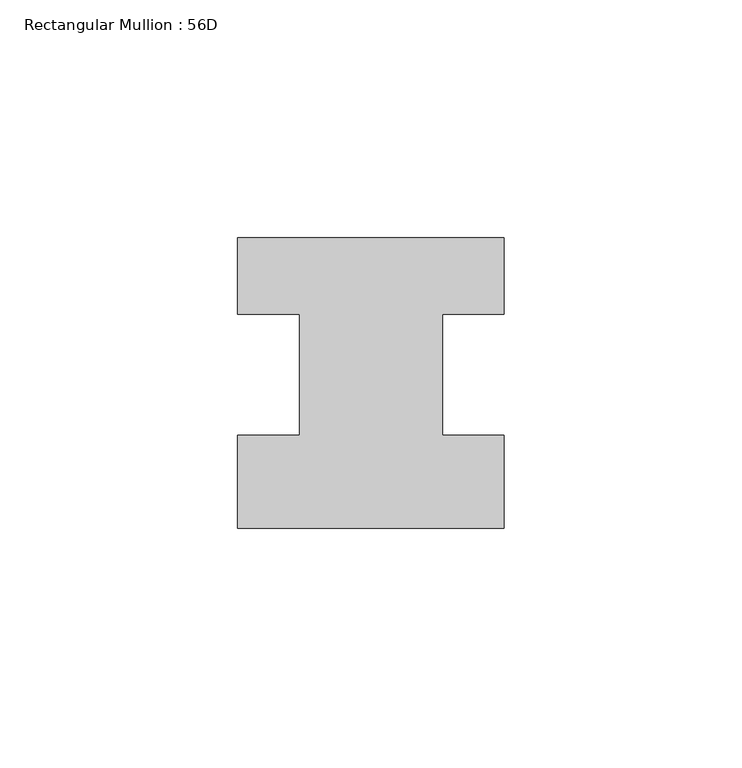
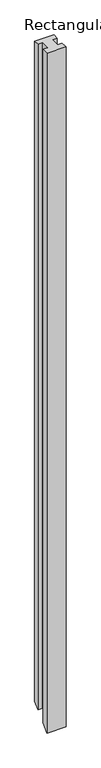
"""IFC4 building model written with IfcOpenShell, lengths in millimetres: member geometry, Rectangular Mullion : 56D."""

from ifc_helpers import new_model, si_unit, origin, place, context, project, spatial, faceted_brep, source, transform, mapped, element, save


def rectangular_mullion_56d_5a3d9dc6(model_context):
    return source(origin(), model_context, "Body", "Brep", [
        faceted_brep([(0.0, -20.0, 0.0), (0.0, -0.5, 0.0), (-13.0, -0.5, 0.0), (-13.0, 25.0, 0.0), (0.0, 25.0, 0.0), (0.0, 41.0, 0.0), (-56.0, 41.0, 0.0), (-56.0, 25.0, 0.0), (-43.0, 25.0, 0.0), (-43.0, -0.5, 0.0), (-56.0, -0.5, 0.0), (-56.0, -20.0, 0.0), (0.0, -20.0, -2092.0), (0.0, -0.5, -2072.5), (-13.0, -0.5, -2072.5), (-13.0, 25.0, -2047.0), (0.0, 25.0, -2047.0), (0.0, 41.0, -2031.0), (-56.0, 41.0, -2031.0), (-56.0, 25.0, -2047.0), (-43.0, 25.0, -2047.0), (-43.0, -0.5, -2072.5), (-56.0, -0.5, -2072.5), (-56.0, -20.0, -2092.0)], [[[0, 1, 2, 3, 4, 5, 6, 7, 8, 9, 10, 11]], [[1, 0, 12, 13]], [[2, 1, 13, 14]], [[3, 2, 14, 15]], [[4, 3, 15, 16]], [[5, 4, 16, 17]], [[6, 5, 17, 18]], [[7, 6, 18, 19]], [[8, 7, 19, 20]], [[9, 8, 20, 21]], [[10, 9, 21, 22]], [[11, 10, 22, 23]], [[0, 11, 23, 12]], [[12, 23, 22, 21, 20, 19, 18, 17, 16, 15, 14, 13]]]),
    ])


if __name__ == "__main__":
    model = new_model("IFC4")
    model_context = context("Model", 3, world=origin())
    ifc_project = project(units=[si_unit("LENGTHUNIT", "METRE", prefix="MILLI")], contexts=[model_context])
    site = spatial("IfcSite", under=ifc_project)
    building = spatial("IfcBuilding", under=site)
    placement = place(None, origin())
    rectangular_mullion_56d_shape = rectangular_mullion_56d_5a3d9dc6(model_context)
    element("IfcMember", 1, ObjectType="Rectangular Mullion : 56D", at=placement, inside=building, context=model_context, shape_type="MappedRepresentation", body=[
        mapped(rectangular_mullion_56d_shape, transform((0.0, 0.0, 0.0), x_axis=(1.0, 0.0, 0.0), y_axis=(0.0, 1.0, 0.0), z_axis=(0.0, 0.0, 1.0))),
    ])
    save(model, "model.ifc")
